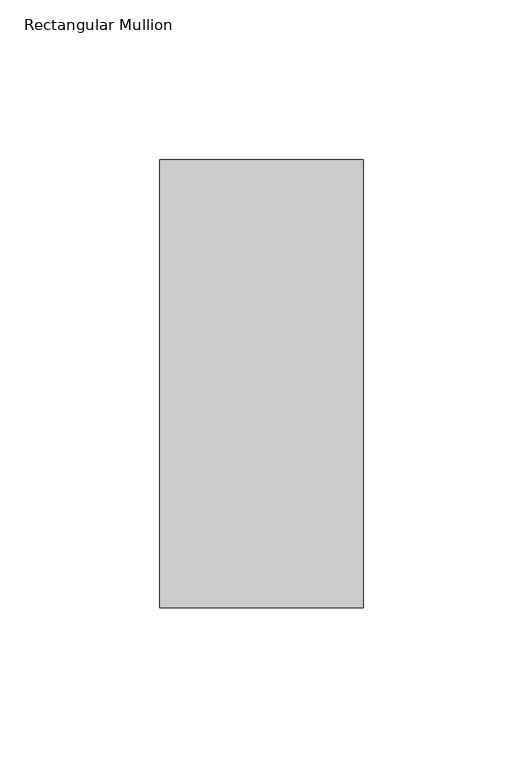
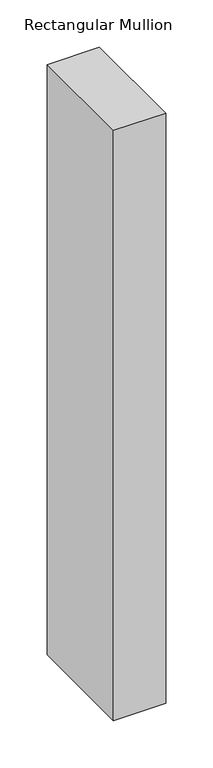
"""IFC4 building model written with IfcOpenShell, lengths in millimetres: member geometry, Rectangular Mullion."""

from ifc_helpers import new_model, si_unit, frame, origin, place, context, project, spatial, polyline, outline, extrude, source, transform, mapped, element, save


def rectangular_mullion_8ac3e446(model_context):
    return source(origin(), model_context, "Body", "SweptSolid", [
        extrude(outline(polyline([(0.0, 190.7881317), (0.0, 50.8202784), (-63.5, 50.8202784), (-63.5, 190.7881317), (0.0, 190.7881317)])), frame((0.0, 0.0, -762.0), z_axis=(0.0, 0.0, 1.0), x_axis=(1.0, 0.0, 0.0)), (0.0, 0.0, 1.0), 762.0),
    ])


if __name__ == "__main__":
    model = new_model("IFC4")
    model_context = context("Model", 3, world=origin())
    ifc_project = project(units=[si_unit("LENGTHUNIT", "METRE", prefix="MILLI")], contexts=[model_context])
    site = spatial("IfcSite", under=ifc_project)
    building = spatial("IfcBuilding", under=site)
    placement = place(None, origin())
    rectangular_mullion_shape = rectangular_mullion_8ac3e446(model_context)
    element("IfcMember", 1, ObjectType="Rectangular Mullion", at=placement, inside=building, context=model_context, shape_type="MappedRepresentation", body=[
        mapped(rectangular_mullion_shape, transform((0.0, 0.0, 0.0), x_axis=(1.0, 0.0, 0.0), y_axis=(0.0, 1.0, 0.0), z_axis=(0.0, 0.0, 1.0))),
    ])
    save(model, "model.ifc")
